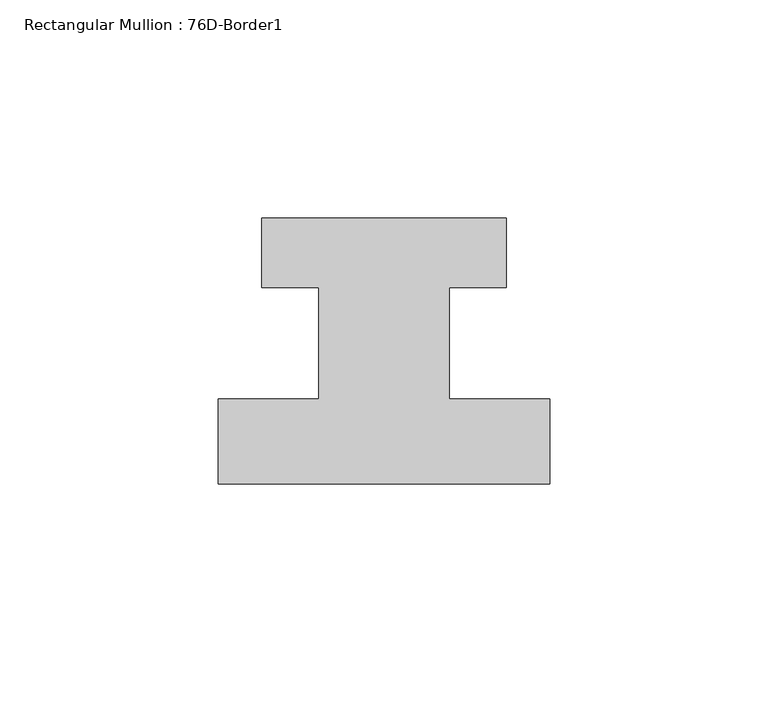
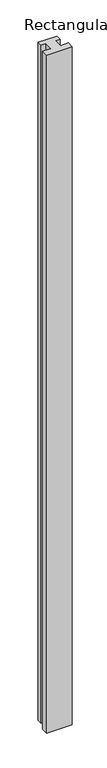
"""IFC4 building model written with IfcOpenShell, lengths in millimetres: member geometry, Rectangular Mullion : 76D-Border1."""

import ifcopenshell
import ifcopenshell.guid

model = None  # the IFC model being written
_history = None  # IfcOwnerHistory: only IFC2X3 demands one
_inside = {}  # id of a spatial element -> (the spatial element, [elements in it])
_under = {}  # id of a project, library or spatial element -> (it, [spatial elements below it])
_declared = {}  # id of a project -> (the project, [libraries it declares])
_typed = {}  # id of a type object -> (the type object, [elements of that type])
_made_of = {}  # id of a material, layer set ... -> (it, [elements and type objects made of it])


def new_model(schema):
    """Start an empty IFC model of exactly this schema.

    Asked for "IFC4X3", IfcOpenShell would pick the latest addendum, in which some entities
    have other attributes; the version numbers below select the first issue.
    IFC2X3 requires an IfcOwnerHistory on every rooted entity: one is made here for all.
    """
    global model, _history
    if schema == "IFC4X3":
        model = ifcopenshell.file(schema_version=(4, 3, 0, 0))
    else:
        model = ifcopenshell.file(schema=schema)
    _inside.clear()
    _under.clear()
    _declared.clear()
    _typed.clear()
    _made_of.clear()
    _history = None
    if model.schema == "IFC2X3":
        org = make("IfcOrganization", Name="unknown")
        user = make(
            "IfcPersonAndOrganization",
            ThePerson=make("IfcPerson", FamilyName="unknown"),
            TheOrganization=org,
        )
        app = make(
            "IfcApplication",
            ApplicationDeveloper=org,
            Version="unknown",
            ApplicationFullName="unknown",
            ApplicationIdentifier="unknown",
        )
        _history = make(
            "IfcOwnerHistory",
            OwningUser=user,
            OwningApplication=app,
            ChangeAction="ADDED",
            CreationDate=0,
        )
    return model


def make(cls, **values):
    """One entity of the class cls with the attributes given. An attribute that is None is left unset."""
    return model.create_entity(
        cls, **{name: value for name, value in values.items() if value is not None}
    )


def rooted(cls, **values):
    """An entity with a GlobalId (a new one), such as an element, a storey or a relation."""
    return make(cls, GlobalId=ifcopenshell.guid.new(), OwnerHistory=_history, **values)


def si_unit(unit_type, name, prefix=None):
    """IfcSIUnit, for example si_unit("LENGTHUNIT", "METRE", prefix="MILLI")."""
    return make("IfcSIUnit", UnitType=unit_type, Prefix=prefix, Name=name)


def assignment(units):
    """IfcUnitAssignment: the units of a project."""
    return None if units is None else make("IfcUnitAssignment", Units=units)


def point(xyz):
    """IfcCartesianPoint."""
    return None if xyz is None else make("IfcCartesianPoint", Coordinates=xyz)


def direction(xyz):
    """IfcDirection."""
    return None if xyz is None else make("IfcDirection", DirectionRatios=xyz)


def frame(location, z_axis=None, x_axis=None):
    """IfcAxis2Placement3D, a coordinate frame: its origin and axes. An axis left out is left unset."""
    return make(
        "IfcAxis2Placement3D",
        Location=point(location),
        Axis=direction(z_axis),
        RefDirection=direction(x_axis),
    )


def origin():
    """The frame at (0, 0, 0) with its axes left unset."""
    return frame((0.0, 0.0, 0.0))


def place(relative_to, where):
    """IfcLocalPlacement: puts the frame where relative to a parent placement (None: the world)."""
    return make(
        "IfcLocalPlacement", PlacementRelTo=relative_to, RelativePlacement=where
    )


def context(
    kind, dimensions, precision=None, world=None, true_north=None, identifier=None
):
    """IfcGeometricRepresentationContext, for example the 3D "Model" context."""
    return make(
        "IfcGeometricRepresentationContext",
        ContextIdentifier=identifier,
        ContextType=kind,
        CoordinateSpaceDimension=dimensions,
        Precision=precision,
        WorldCoordinateSystem=world,
        TrueNorth=true_north,
    )


def project(units=None, contexts=None):
    """IfcProject with its units and contexts."""
    return rooted(
        "IfcProject",
        Name="project",
        RepresentationContexts=contexts,
        UnitsInContext=assignment(units),
    )


def spatial(cls, under=None, at=None, **own):
    """A site, building, storey or space (cls), placed at a placement, below another one or the project."""
    s = rooted(cls, ObjectPlacement=at, **own)
    if under is not None:
        _under.setdefault(under.id(), (under, []))[1].append(s)
    return s


def polyline(points):
    """IfcPolyline through the points."""
    return make("IfcPolyline", Points=[point(p) for p in points])


def outline(outer, holes=None, kind="AREA"):
    """IfcArbitraryClosedProfileDef: a profile drawn as a closed curve; with holes, ...WithVoids."""
    if holes is None:
        return make("IfcArbitraryClosedProfileDef", ProfileType=kind, OuterCurve=outer)
    return make(
        "IfcArbitraryProfileDefWithVoids",
        ProfileType=kind,
        OuterCurve=outer,
        InnerCurves=holes,
    )


def extrude(swept, where, along, depth):
    """IfcExtrudedAreaSolid: the profile swept, set in the frame where, extruded along a direction by depth."""
    return make(
        "IfcExtrudedAreaSolid",
        SweptArea=swept,
        Position=where,
        ExtrudedDirection=direction(along),
        Depth=depth,
    )


def shape(context_of_items, identifier, shape_type, items):
    """IfcShapeRepresentation: the items that make up one representation, for example the "Body"."""
    return make(
        "IfcShapeRepresentation",
        ContextOfItems=context_of_items,
        RepresentationIdentifier=identifier,
        RepresentationType=shape_type,
        Items=items,
    )


def source(mapping_origin, context_of_items, identifier, shape_type, items):
    """IfcRepresentationMap: a shape defined once, which mapped items show again and again."""
    return make(
        "IfcRepresentationMap",
        MappingOrigin=mapping_origin,
        MappedRepresentation=shape(context_of_items, identifier, shape_type, items),
    )


def transform(
    local_origin,
    x_axis=None,
    y_axis=None,
    z_axis=None,
    scale=None,
    scale2=None,
    scale3=None,
    uniform=True,
):
    """IfcCartesianTransformationOperator3D, or its non-uniform kind. x_axis, y_axis, z_axis: its Axis1, 2, 3."""
    if uniform:
        return make(
            "IfcCartesianTransformationOperator3D",
            Axis1=direction(x_axis),
            Axis2=direction(y_axis),
            LocalOrigin=point(local_origin),
            Scale=scale,
            Axis3=direction(z_axis),
        )
    return make(
        "IfcCartesianTransformationOperator3DnonUniform",
        Axis1=direction(x_axis),
        Axis2=direction(y_axis),
        LocalOrigin=point(local_origin),
        Scale=scale,
        Axis3=direction(z_axis),
        Scale2=scale2,
        Scale3=scale3,
    )


def mapped(mapping_source, mapping_target):
    """IfcMappedItem: shows the shape of a source again, moved by a transform."""
    return make(
        "IfcMappedItem", MappingSource=mapping_source, MappingTarget=mapping_target
    )


def made_of(thing, what):
    """Note that an element or type object is made of a material, layer set ...; save() writes the relation."""
    if what is not None:
        _made_of.setdefault(what.id(), (what, []))[1].append(thing)
    return thing


def element(
    cls,
    number,
    at=None,
    inside=None,
    cuts=None,
    type_object=None,
    material=None,
    context=None,
    identifier="Body",
    shape_type=None,
    held_by="IfcProductDefinitionShape",
    body=None,
    shapes=None,
    **own,
):
    """One element of the class cls, such as IfcWall. Its Tag is "e" and its number.

    at: its placement. inside: the storey or other place that contains it. cuts: it is an
    opening in that element (IfcRelVoidsElement). A single representation is given by context,
    identifier, shape_type and body (its items); several are given by shapes. held_by: the class
    of the entity that holds the representations. save() writes the other relations.
    """
    e = rooted(cls, Tag="e%d" % number, ObjectPlacement=at, **own)
    if body is not None:
        shapes = [shape(context, identifier, shape_type, body)]
    if shapes is not None:
        e.Representation = make(held_by, Representations=shapes)
    if inside is not None:
        _inside.setdefault(inside.id(), (inside, []))[1].append(e)
    if cuts is not None:
        rooted(
            "IfcRelVoidsElement", RelatingBuildingElement=cuts, RelatedOpeningElement=e
        )
    if type_object is not None:
        _typed.setdefault(type_object.id(), (type_object, []))[1].append(e)
    return made_of(e, material)


def aggregate(whole, parts):
    """IfcRelAggregates: a whole, such as a stair, and the parts it consists of."""
    return rooted("IfcRelAggregates", RelatingObject=whole, RelatedObjects=parts)


def save(model, path):
    """Write the relations noted so far, then the file.

    IfcRelAggregates (storeys below a building ...), IfcRelContainedInSpatialStructure (elements
    in a storey), IfcRelDefinesByType, IfcRelAssociatesMaterial and IfcRelDeclares: one each for
    every whole, place, type object, material and project.
    """
    for whole, parts in _under.values():
        aggregate(whole, parts)
    for where, things in _inside.values():
        rooted(
            "IfcRelContainedInSpatialStructure",
            RelatedElements=things,
            RelatingStructure=where,
        )
    for kind, things in _typed.values():
        rooted("IfcRelDefinesByType", RelatedObjects=things, RelatingType=kind)
    for what, things in _made_of.values():
        rooted("IfcRelAssociatesMaterial", RelatedObjects=things, RelatingMaterial=what)
    for by, libraries in _declared.values():
        rooted("IfcRelDeclares", RelatingContext=by, RelatedDefinitions=libraries)
    model.write(path)


def rectangular_mullion_76d_border1_e85563e0(model_context):
    return source(origin(), model_context, "Body", "SweptSolid", [
        extrude(outline(polyline([(-76.0, -20.0), (-76.0, -0.5), (-53.0, -0.5), (-53.0, 25.0), (-66.0, 25.0), (-66.0, 41.0), (-10.0, 41.0), (-10.0, 25.0), (-23.0, 25.0), (-23.0, -0.5), (0.0, -0.5), (0.0, -20.0), (-76.0, -20.0)])), frame((0.0, 0.0, -2124.0), z_axis=(0.0, 0.0, 1.0), x_axis=(1.0, 0.0, 0.0)), (0.0, 0.0, 1.0), 2124.0),
    ])


if __name__ == "__main__":
    model = new_model("IFC4")
    model_context = context("Model", 3, world=origin())
    ifc_project = project(units=[si_unit("LENGTHUNIT", "METRE", prefix="MILLI")], contexts=[model_context])
    site = spatial("IfcSite", under=ifc_project)
    building = spatial("IfcBuilding", under=site)
    placement = place(None, origin())
    rectangular_mullion_76d_border1_shape = rectangular_mullion_76d_border1_e85563e0(model_context)
    element("IfcMember", 1, ObjectType="Rectangular Mullion : 76D-Border1", at=placement, inside=building, context=model_context, shape_type="MappedRepresentation", body=[
        mapped(rectangular_mullion_76d_border1_shape, transform((0.0, 0.0, 0.0), x_axis=(1.0, 0.0, 0.0), y_axis=(0.0, 1.0, 0.0), z_axis=(0.0, 0.0, 1.0))),
    ])
    save(model, "model.ifc")
